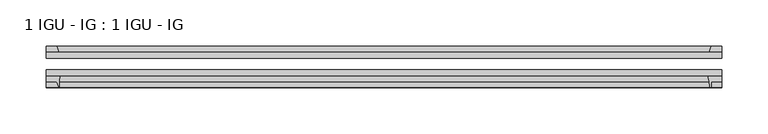
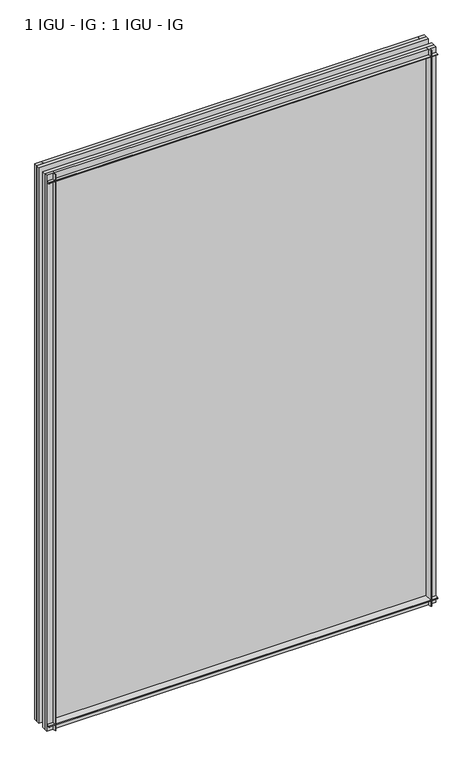
"""IFC4 building model written with IfcOpenShell, lengths in millimetres: plate geometry, 1 IGU - IG : 1 IGU - IG."""

from ifc_helpers import new_model, si_unit, point, frame, frame_2d, origin, place, context, project, spatial, polyline, circle_curve, trimmed, segment, composite_curve, outline, extrude, source, transform, mapped, element, save


def plate_1_igu_ig_1_igu_ig_44d1876b(model_context):
    return source(origin(), model_context, "Body", "SweptSolid", [
        extrude(outline(polyline([(345.8824303, -31.75), (345.8824303, -38.1), (-383.9824303, -38.1), (-383.9824303, -31.75), (345.8824303, -31.75)])), frame((0.0, 0.0, -11.1125), z_axis=(0.0, 0.0, 1.0), x_axis=(1.0, 0.0, 0.0)), (0.0, 0.0, 1.0), 1101.7245636),
        extrude(outline(polyline([(-383.9824303, -12.7), (345.8824303, -12.7), (345.8824303, -19.05), (-383.9824303, -19.05), (-383.9824303, -12.7)])), frame((0.0, 0.0, -11.1125), z_axis=(0.0, 0.0, 1.0), x_axis=(1.0, 0.0, 0.0)), (0.0, 0.0, 1.0), 1101.7245636),
        extrude(outline(polyline([(-383.9824303, -12.7), (-383.9824303, -6.35), (-372.8563289, -6.35), (-370.7510518, -12.7), (-383.9824303, -12.7)])), frame((0.0, 0.0, -11.1125), z_axis=(0.0, 0.0, 1.0), x_axis=(1.0, 0.0, 0.0)), (0.0, 0.0, 1.0), 1101.7245636),
        extrude(outline(composite_curve([segment(trimmed(circle_curve(frame_2d((-325.4161333, -53.3794536)), 45.8781451), [point((-368.6751496, -38.1))], [point((-369.9349334, -42.2942999))], True, "CARTESIAN"), True, "CONTINUOUS"), segment(trimmed(circle_curve(frame_2d((-360.6921541, -44.5957463)), 9.525), [point((-369.9349334, -42.2942999))], [point((-370.2014563, -45.1423684))], True, "CARTESIAN"), True, "CONTINUOUS"), segment(trimmed(circle_curve(frame_2d((-333.7349085, -43.0461661)), 36.5267461), [point((-370.2014563, -45.1423684))], [point((-369.7103849, -49.3682124))], True, "CARTESIAN"), True, "CONTINUOUS"), segment(trimmed(circle_curve(frame_2d((-370.4608846, -49.5000993)), 0.762), [point((-369.7103849, -49.3682124))], [point((-370.4489174, -50.2620054))], False, "CARTESIAN"), True, "CONTINUOUS"), segment(polyline([(-370.4489174, -50.2620054), (-372.8563289, -44.45), (-383.9824303, -44.45), (-383.9824303, -38.1), (-368.6751496, -38.1)]), True, "CONTINUOUS")], self_intersect=False)), frame((0.0, 0.0, -11.1125), z_axis=(0.0, 0.0, 1.0), x_axis=(1.0, 0.0, 0.0)), (0.0, 0.0, 1.0), 1101.7245636),
        extrude(outline(polyline([(345.8824303, -12.7), (332.6646532, -12.7), (334.7699303, -6.35), (345.8824303, -6.35), (345.8824303, -12.7)])), frame((0.0, 0.0, -11.1125), z_axis=(0.0, 0.0, 1.0), x_axis=(1.0, 0.0, 0.0)), (0.0, 0.0, 1.0), 1101.7245636),
        extrude(outline(composite_curve([segment(polyline([(330.588751, -38.1), (345.8824303, -38.1), (345.8824303, -44.45), (334.7699303, -44.45), (334.7699303, -50.8), (333.8500294, -50.8)]), True, "CONTINUOUS"), segment(trimmed(circle_curve(frame_2d((333.8500294, -50.038)), 0.762), [point((333.8500294, -50.8))], [point((333.0899875, -50.0925922))], False, "CARTESIAN"), True, "CONTINUOUS"), segment(trimmed(circle_curve(frame_2d((287.3297347, -53.3794536)), 45.8781451), [point((333.0899875, -50.0925922))], [point((330.588751, -38.1))], True, "CARTESIAN"), True, "CONTINUOUS")], self_intersect=False)), frame((0.0, 0.0, -11.1125), z_axis=(0.0, 0.0, 1.0), x_axis=(1.0, 0.0, 0.0)), (0.0, 0.0, 1.0), 1101.7245636),
        extrude(outline(polyline([(-12.7, -11.1125), (-12.7, 2.1052771), (-6.35, 0.0), (-6.35, -11.1125), (-12.7, -11.1125)])), frame((-383.9824303, 0.0, 0.0), z_axis=(1.0, 0.0, 0.0), x_axis=(0.0, 1.0, 0.0)), (0.0, 0.0, 1.0), 729.8648605),
        extrude(outline(composite_curve([segment(polyline([(-38.1, 4.1811793), (-38.1, -11.1125), (-44.45, -11.1125), (-44.45, 0.0), (-50.8, 0.0), (-50.8, 0.9199009)]), True, "CONTINUOUS"), segment(trimmed(circle_curve(frame_2d((-50.038, 0.9199009)), 0.762), [point((-50.8, 0.9199009))], [point((-50.0925922, 1.6799428))], False, "CARTESIAN"), True, "CONTINUOUS"), segment(trimmed(circle_curve(frame_2d((-53.3794536, 47.4401956)), 45.8781451), [point((-50.0925922, 1.6799428))], [point((-38.1, 4.1811793))], True, "CARTESIAN"), True, "CONTINUOUS")], self_intersect=False)), frame((-383.9824303, 0.0, 0.0), z_axis=(1.0, 0.0, 0.0), x_axis=(0.0, 1.0, 0.0)), (0.0, 0.0, 1.0), 729.8648605),
        extrude(outline(polyline([(-6.35, 1079.4995636), (-12.7, 1077.3942865), (-12.7, 1090.6120636), (-6.35, 1090.6120636), (-6.35, 1079.4995636)])), frame((-383.9824303, 0.0, 0.0), z_axis=(1.0, 0.0, 0.0), x_axis=(0.0, 1.0, 0.0)), (0.0, 0.0, 1.0), 729.8648605),
        extrude(outline(composite_curve([segment(polyline([(-38.1, 1090.6120636), (-38.1, 1075.3183843)]), True, "CONTINUOUS"), segment(trimmed(circle_curve(frame_2d((-53.3794536, 1032.059368)), 45.8781451), [point((-38.1, 1075.3183843))], [point((-50.0925922, 1077.8196208))], True, "CARTESIAN"), True, "CONTINUOUS"), segment(trimmed(circle_curve(frame_2d((-50.038, 1078.5796627)), 0.762), [point((-50.0925922, 1077.8196208))], [point((-50.8, 1078.5796627))], False, "CARTESIAN"), True, "CONTINUOUS"), segment(polyline([(-50.8, 1078.5796627), (-50.8, 1079.4995636), (-44.45, 1079.4995636), (-44.45, 1090.6120636), (-38.1, 1090.6120636)]), True, "CONTINUOUS")], self_intersect=False)), frame((-383.9824303, 0.0, 0.0), z_axis=(1.0, 0.0, 0.0), x_axis=(0.0, 1.0, 0.0)), (0.0, 0.0, 1.0), 729.8648605),
    ])


if __name__ == "__main__":
    model = new_model("IFC4")
    model_context = context("Model", 3, world=origin())
    ifc_project = project(units=[si_unit("LENGTHUNIT", "METRE", prefix="MILLI")], contexts=[model_context])
    site = spatial("IfcSite", under=ifc_project)
    building = spatial("IfcBuilding", under=site)
    placement = place(None, origin())
    plate_1_igu_ig_1_igu_ig_shape = plate_1_igu_ig_1_igu_ig_44d1876b(model_context)
    element("IfcPlate", 1, ObjectType="1 IGU - IG : 1 IGU - IG", at=placement, inside=building, context=model_context, shape_type="MappedRepresentation", body=[
        mapped(plate_1_igu_ig_1_igu_ig_shape, transform((0.0, 0.0, 0.0), x_axis=(1.0, 0.0, 0.0), y_axis=(0.0, 1.0, 0.0), z_axis=(0.0, 0.0, 1.0))),
    ])
    save(model, "model.ifc")
